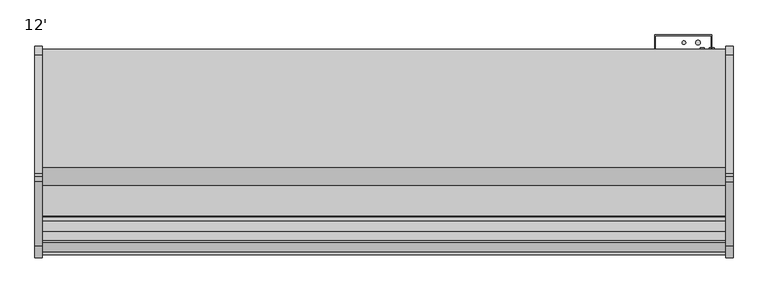
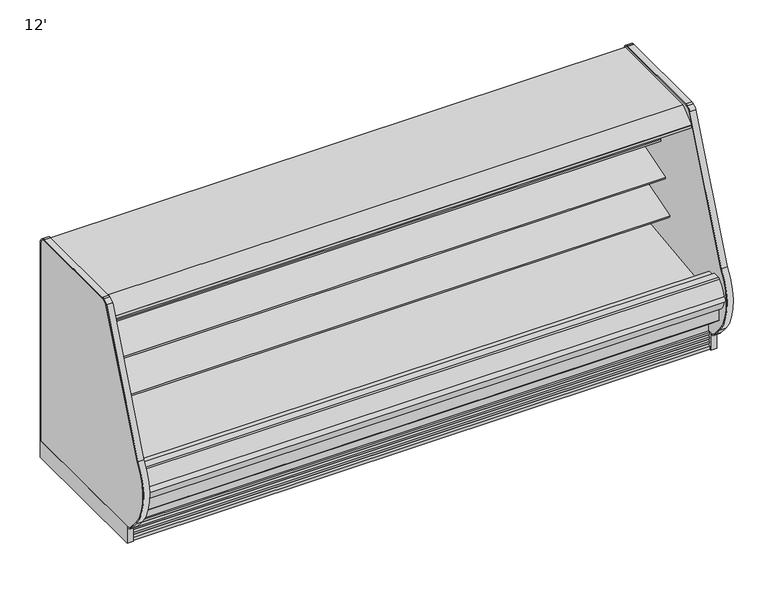
"""IFC4 building model written with IfcOpenShell, lengths in millimetres: proxy geometry, 12'."""

from ifc_helpers import new_model, si_unit, point, frame, frame_2d, origin, origin_with_axes, place, context, project, spatial, polyline, circle_curve, trimmed, segment, composite_curve, outline, extrude, source, transform, mapped, element, save
from ifc_brep_helpers import plane_surface, cylinder_surface, revolved_surface, advanced_brep


def proxy_12_2a5c68bf(model_context):
    return source(origin(), model_context, "Body", "SolidModel", [
        extrude(outline(composite_curve([segment(polyline([(-514.4888601, 1379.0768001), (-504.7813461, 1382.0750951), (-504.5146416, 1381.2115916), (-503.4474703, 1381.2115916), (-503.4474703, 1287.4472598), (-528.7426845, 1283.8944637)]), True, "CONTINUOUS"), segment(trimmed(circle_curve(frame_2d((-528.8825674, 1285.4681389)), 1.57988), [point((-528.7426845, 1283.8944637))], [point((-530.4470722, 1285.2482621))], False, "CARTESIAN"), True, "CONTINUOUS"), segment(polyline([(-530.4470722, 1285.2482621), (-531.3318818, 1291.5440101), (-530.5471142, 1291.654302), (-529.5527196, 1284.5788169), (-505.9719612, 1287.8928764), (-520.0679999, 1388.1914034), (-542.8285813, 1385.1690478)]), True, "CONTINUOUS"), segment(trimmed(circle_curve(frame_2d((-542.7249331, 1384.3884994)), 0.7874), [point((-542.8285813, 1385.1690478))], [point((-543.5054815, 1384.2848511))], True, "CARTESIAN"), True, "CONTINUOUS"), segment(polyline([(-543.5054815, 1384.2848511), (-542.4823725, 1376.580081), (-543.2629211, 1376.4764348), (-544.2860298, 1384.1812028)]), True, "CONTINUOUS"), segment(trimmed(circle_curve(frame_2d((-542.7249331, 1384.3884994)), 1.5748), [point((-544.2860298, 1384.1812028))], [point((-542.9322296, 1385.9495962))], False, "CARTESIAN"), True, "CONTINUOUS"), segment(polyline([(-542.9322296, 1385.9495962), (-518.9678184, 1389.1318072)]), True, "CONTINUOUS"), segment(trimmed(circle_curve(frame_2d((-518.7605219, 1387.5707104)), 1.5748), [point((-518.9678184, 1389.1318072))], [point((-517.2558572, 1388.0354462))], False, "CARTESIAN"), True, "CONTINUOUS"), segment(polyline([(-517.2558572, 1388.0354462), (-514.4888601, 1379.0768001)]), True, "CONTINUOUS")], self_intersect=False)), frame((0.0, 0.0, 0.0), z_axis=(1.0, 0.0, 0.0), x_axis=(0.0, 1.0, 0.0)), (0.0, 0.0, 1.0), 3657.6),
        extrude(outline(polyline([(-401.512379, 1460.3537164), (-401.512379, 1413.9257811), (-452.2793831, 1413.9257811), (-452.2793831, 1381.2115916), (-917.2646416, 1381.2115916), (-919.3438906, 1387.9435306), (-924.1383368, 1386.4627021), (-948.2083769, 1415.1482588), (-1054.9766947, 1415.1482588), (-1055.8148947, 1414.3100588), (-1055.8148947, 1403.1848588), (-1056.3729843, 1402.0060488), (-1101.0108272, 1365.4300488), (-1101.9767376, 1365.0848588), (-1113.4733607, 1365.0848588), (-1113.4733607, 1363.1530833), (-1129.3737607, 1363.1530833), (-1129.3737607, 1381.4220333), (-1128.7805992, 1382.6656223), (-1032.8437928, 1460.3537164), (-401.512379, 1460.3537164)])), frame((0.0, 0.0, 0.0), z_axis=(1.0, 0.0, 0.0), x_axis=(0.0, 1.0, 0.0)), (0.0, 0.0, 1.0), 3657.6),
        extrude(outline(composite_curve([segment(polyline([(-505.9719612, 1287.8928764), (-529.5527196, 1284.5788169), (-530.5471142, 1291.654302), (-542.4775484, 1376.5437523), (-543.5054815, 1384.2848511)]), True, "CONTINUOUS"), segment(trimmed(circle_curve(frame_2d((-542.7249331, 1384.3884994)), 0.7874), [point((-543.5054815, 1384.2848511))], [point((-542.8285813, 1385.1690478))], False, "CARTESIAN"), True, "CONTINUOUS"), segment(polyline([(-542.8285813, 1385.1690478), (-520.0679999, 1388.1914034), (-505.9719612, 1287.8928764)]), True, "CONTINUOUS")], self_intersect=False)), frame((0.0, 0.0, 0.0), z_axis=(1.0, 0.0, 0.0), x_axis=(0.0, 1.0, 0.0)), (0.0, 0.0, 1.0), 3657.6),
        extrude(outline(composite_curve([segment(trimmed(circle_curve(frame_2d((-999.7570947, 1392.4692338)), 14.2875), [point((-1014.0445947, 1392.4692338))], [point((-985.4695947, 1392.4692338))], False, "CARTESIAN"), True, "CONTINUOUS"), segment(trimmed(circle_curve(frame_2d((-999.7570947, 1392.4692338)), 14.2875), [point((-985.4695947, 1392.4692338))], [point((-1014.0445947, 1392.4692338))], False, "CARTESIAN"), True, "CONTINUOUS")], self_intersect=False)), frame((0.0, 0.0, 0.0), z_axis=(1.0, 0.0, 0.0), x_axis=(0.0, 1.0, 0.0)), (0.0, 0.0, 1.0), 3657.6),
        extrude(outline(composite_curve([segment(trimmed(circle_curve(frame_2d((-1037.1458947, 1392.4692338)), 14.2875), [point((-1051.4333947, 1392.4692338))], [point((-1022.8583947, 1392.4692338))], False, "CARTESIAN"), True, "CONTINUOUS"), segment(trimmed(circle_curve(frame_2d((-1037.1458947, 1392.4692338)), 14.2875), [point((-1022.8583947, 1392.4692338))], [point((-1051.4333947, 1392.4692338))], False, "CARTESIAN"), True, "CONTINUOUS")], self_intersect=False)), frame((0.0, 0.0, 0.0), z_axis=(1.0, 0.0, 0.0), x_axis=(0.0, 1.0, 0.0)), (0.0, 0.0, 1.0), 3657.6),
        extrude(outline(composite_curve([segment(trimmed(circle_curve(frame_2d((3412.7400636, -1128.5839273)), 9.525), [point((3403.2150636, -1128.5839273))], [point((3422.2650636, -1128.5839273))], False, "CARTESIAN"), True, "CONTINUOUS"), segment(trimmed(circle_curve(frame_2d((3412.7400636, -1128.5839273)), 9.525), [point((3422.2650636, -1128.5839273))], [point((3403.2150636, -1128.5839273))], False, "CARTESIAN"), True, "CONTINUOUS")], self_intersect=False)), frame((0.0, 0.0, 68.5310382), z_axis=(0.0, 0.0, 1.0), x_axis=(1.0, 0.0, 0.0)), (0.0, 0.0, 1.0), 52.7807458),
        extrude(outline(composite_curve([segment(trimmed(circle_curve(frame_2d((3456.2110784, -1128.5839273)), 12.7), [point((3443.5110784, -1128.5839273))], [point((3468.9110784, -1128.5839273))], False, "CARTESIAN"), True, "CONTINUOUS"), segment(trimmed(circle_curve(frame_2d((3456.2110784, -1128.5839273)), 12.7), [point((3468.9110784, -1128.5839273))], [point((3443.5110784, -1128.5839273))], False, "CARTESIAN"), True, "CONTINUOUS")], self_intersect=False)), frame((0.0, 0.0, 68.5310382), z_axis=(0.0, 0.0, 1.0), x_axis=(1.0, 0.0, 0.0)), (0.0, 0.0, 1.0), 52.7807458),
        extrude(outline(polyline([(0.0, -385.6339273), (0.0, -1335.5812273), (-38.1, -1335.5812273), (-38.1, -385.6339273), (0.0, -385.6339273)])), origin_with_axes(), (0.0, 0.0, 1.0), 114.3),
        extrude(outline(composite_curve([segment(polyline([(-1335.5812273, 114.3), (-1335.5812273, 107.95)]), True, "CONTINUOUS"), segment(trimmed(circle_curve(frame_2d((-1335.5812273, 171.45)), 63.5), [point((-1335.5812273, 107.95))], [point((-1384.2250494, 130.6329868))], False, "CARTESIAN"), True, "CONTINUOUS"), segment(polyline([(-1384.2250494, 130.6329868), (-1436.0410491, 192.3848905)]), True, "CONTINUOUS"), segment(trimmed(circle_curve(frame_2d((-1168.5000273, 416.8784632)), 349.25), [point((-1436.0410491, 192.3848905))], [point((-1454.3903468, 617.483268))], False, "CARTESIAN"), True, "CONTINUOUS"), segment(polyline([(-1454.3903468, 617.483268), (-1110.732737, 1459.5627752)]), True, "CONTINUOUS"), segment(trimmed(circle_curve(frame_2d((-1055.3093188, 1414.5072746)), 71.4265596), [point((-1110.732737, 1459.5627752))], [point((-1080.5868944, 1481.3114481))], False, "CARTESIAN"), True, "CONTINUOUS"), segment(trimmed(circle_curve(frame_2d((-1064.856216, 1439.73804)), 44.45), [point((-1080.5868944, 1481.3114481))], [point((-1064.856216, 1484.18804))], False, "CARTESIAN"), True, "CONTINUOUS"), segment(polyline([(-1064.856216, 1484.18804), (-430.0839273, 1484.18804)]), True, "CONTINUOUS"), segment(trimmed(circle_curve(frame_2d((-430.0839273, 1439.73804)), 44.45), [point((-430.0839273, 1484.18804))], [point((-385.6339273, 1439.73804))], False, "CARTESIAN"), True, "CONTINUOUS"), segment(polyline([(-385.6339273, 1439.73804), (-385.6339273, 114.3), (-391.9839273, 114.3), (-391.9839273, 1439.73804)]), True, "CONTINUOUS"), segment(trimmed(circle_curve(frame_2d((-430.0839273, 1439.73804)), 38.1), [point((-391.9839273, 1439.73804))], [point((-430.0839273, 1477.83804))], True, "CARTESIAN"), True, "CONTINUOUS"), segment(polyline([(-430.0839273, 1477.83804), (-1064.856216, 1477.83804)]), True, "CONTINUOUS"), segment(trimmed(circle_curve(frame_2d((-1064.856216, 1439.73804)), 38.1), [point((-1064.856216, 1477.83804))], [point((-1078.3396546, 1475.3723898))], True, "CARTESIAN"), True, "CONTINUOUS"), segment(trimmed(circle_curve(frame_2d((-1055.3093188, 1414.5072746)), 65.0765596), [point((-1078.3396546, 1475.3723898))], [point((-1103.7237451, 1457.9929266))], True, "CARTESIAN"), True, "CONTINUOUS"), segment(polyline([(-1103.7237451, 1457.9929266), (-1449.192341, 613.8359079)]), True, "CONTINUOUS"), segment(trimmed(circle_curve(frame_2d((-1168.5000273, 416.8784632)), 342.9), [point((-1449.192341, 613.8359079))], [point((-1431.1766668, 196.4665918))], True, "CARTESIAN"), True, "CONTINUOUS"), segment(polyline([(-1431.1766668, 196.4665918), (-1379.3606672, 134.7146881)]), True, "CONTINUOUS"), segment(trimmed(circle_curve(frame_2d((-1335.5812273, 171.45)), 57.15), [point((-1379.3606672, 134.7146881))], [point((-1335.5812273, 114.3))], True, "CARTESIAN"), True, "CONTINUOUS")], self_intersect=False)), frame((-38.1, 0.0, 0.0), z_axis=(1.0, 0.0, 0.0), x_axis=(0.0, 1.0, 0.0)), (0.0, 0.0, 1.0), 38.1),
        extrude(outline(composite_curve([segment(trimmed(circle_curve(frame_2d((-1335.5812273, 171.45)), 57.15), [point((-1335.5812273, 114.3))], [point((-1379.3606672, 134.7146881))], False, "CARTESIAN"), True, "CONTINUOUS"), segment(polyline([(-1379.3606672, 134.7146881), (-1431.1766668, 196.4665918)]), True, "CONTINUOUS"), segment(trimmed(circle_curve(frame_2d((-1168.5000273, 416.8784632)), 342.9), [point((-1431.1766668, 196.4665918))], [point((-1449.192341, 613.8359079))], False, "CARTESIAN"), True, "CONTINUOUS"), segment(polyline([(-1449.192341, 613.8359079), (-1103.7237451, 1457.9929266)]), True, "CONTINUOUS"), segment(trimmed(circle_curve(frame_2d((-1055.3093188, 1414.5072746)), 65.0765596), [point((-1103.7237451, 1457.9929266))], [point((-1078.3396546, 1475.3723898))], False, "CARTESIAN"), True, "CONTINUOUS"), segment(trimmed(circle_curve(frame_2d((-1064.856216, 1439.73804)), 38.1), [point((-1078.3396546, 1475.3723898))], [point((-1064.856216, 1477.83804))], False, "CARTESIAN"), True, "CONTINUOUS"), segment(polyline([(-1064.856216, 1477.83804), (-430.0839273, 1477.83804)]), True, "CONTINUOUS"), segment(trimmed(circle_curve(frame_2d((-430.0839273, 1439.73804)), 38.1), [point((-430.0839273, 1477.83804))], [point((-391.9839273, 1439.73804))], False, "CARTESIAN"), True, "CONTINUOUS"), segment(polyline([(-391.9839273, 1439.73804), (-391.9839273, 114.3), (-1335.5812273, 114.3)]), True, "CONTINUOUS")], self_intersect=False)), frame((-38.1, 0.0, 0.0), z_axis=(1.0, 0.0, 0.0), x_axis=(0.0, 1.0, 0.0)), (0.0, 0.0, 1.0), 38.1),
        advanced_brep(
        [(3657.6, -503.4770145, 962.9449857), (3657.6, -843.5389858, 858.9776075), (3657.6, -839.3802906, 845.3751286), (3657.6, -785.6094334, 861.8145294), (3657.6, -783.1797893, 858.9595892), (3657.6, -595.4632769, 891.5703852), (3657.6, -560.8291108, 887.8925043), (3657.6, -539.533713, 879.2978657), (3657.6, -522.1893768, 878.6915182), (3657.6, -503.4770145, 884.7372079), (0.0, -503.4770145, 962.9449857), (0.0, -503.4770145, 884.7372079), (0.0, -522.1820399, 878.668903), (0.0, -539.533713, 879.2978657), (0.0, -560.8291108, 887.8925043), (0.0, -595.4632769, 891.5703852), (0.0, -783.1797893, 858.9595892), (0.0, -785.6094334, 861.8145294), (0.0, -839.3802906, 845.3751286), (0.0, -843.5389858, 858.9776075)],
        [
            (0, 1),
            (1, 2),
            (2, 3),
            (3, 4),
            (4, 5),
            (5, 6, circle_curve(frame((3657.6, -584.5946142, 829.0074396), z_axis=(-1.0, 0.0, 0.0), x_axis=(0.0, 1.0, 0.0)), 63.5)),
            (6, 7),
            (7, 8, circle_curve(frame((3657.6, -530.0275116, 902.8518916), z_axis=(1.0, 0.0, 0.0), x_axis=(0.0, 1.0, 0.0)), 25.4)),
            (8, 9),
            (9, 0),
            (10, 11),
            (11, 12),
            (12, 13, circle_curve(frame((0.0, -530.0275116, 902.8518916), z_axis=(-1.0, 0.0, 0.0), x_axis=(0.0, 1.0, 0.0)), 25.4)),
            (13, 14),
            (14, 15, circle_curve(frame((0.0, -584.5946142, 829.0074396), z_axis=(1.0, 0.0, 0.0), x_axis=(0.0, 1.0, 0.0)), 63.5)),
            (15, 16),
            (16, 17),
            (17, 18),
            (18, 19),
            (19, 10),
            (0, 10),
            (19, 1),
            (2, 18),
            (17, 3),
            (8, 12),
            (11, 9),
            (16, 4),
            (15, 5),
            (14, 6),
            (13, 7),
        ],
        [
            plane_surface(frame((3657.6, -503.4770145, 962.9449857), z_axis=(1.0, 0.0, 0.0), x_axis=(0.0, -0.9563047559631226, -0.2923717047224518))),
            plane_surface(frame((0.0, -503.4770145, 962.9449857), z_axis=(-1.0, 0.0, 0.0), x_axis=(0.0, 0.9563047559631226, 0.2923717047224518))),
            plane_surface(frame((3657.6, -503.4770145, 962.9449857), z_axis=(0.0, -0.2923717047224518, 0.9563047559631226), x_axis=(-1.0, 0.0, 0.0))),
            plane_surface(frame((3657.6, -839.3802906, 845.3751286), z_axis=(0.0, 0.2923717047224529, -0.9563047559631223), x_axis=(-1.0, 0.0, 0.0))),
            plane_surface(frame((3657.6, -522.1820399, 878.668903), z_axis=(0.0, 0.3085879853198186, -0.9511958028272914), x_axis=(-1.0, 0.0, 0.0))),
            plane_surface(frame((3657.6, -503.4770145, 884.7372079), z_axis=(0.0, 1.0, 0.0), x_axis=(-1.0, 0.0, 0.0))),
            plane_surface(frame((3657.6, -843.5389858, 858.9776075), z_axis=(0.0, -0.9563047559631227, -0.29237170472245155), x_axis=(-1.0, 0.0, 0.0))),
            plane_surface(frame((3657.6, -785.6094334, 861.8145294), z_axis=(0.0, -0.761551533788134, -0.648104359949029), x_axis=(-1.0, 0.0, 0.0))),
            plane_surface(frame((3657.6, -783.1797893, 858.9595892), z_axis=(0.0, 0.17116004276831903, -0.9852432388804032), x_axis=(-1.0, 0.0, 0.0))),
            revolved_surface(polyline([(0.0, -521.0946142, 829.0074396), (3657.6, -521.0946142, 829.0074396)]), (0.0, -584.5946142, 829.0074396), (-1.0, 0.0, 0.0)),
            plane_surface(frame((3657.6, -560.8291108, 887.8925043), z_axis=(0.0, -0.374259895190447, -0.9273238543529632), x_axis=(-1.0, 0.0, 0.0))),
            cylinder_surface(frame((0.0, -530.0275116, 902.8518916), z_axis=(1.0, 0.0, 0.0), x_axis=(0.0, 1.0, 0.0)), 25.4),
        ],
        [
            (0, [[1, 2, 3, 4, 5, 6, 7, 8, 9, 10]]),
            (1, [[11, 12, 13, 14, 15, 16, 17, 18, 19, 20]]),
            (2, [[-1, 21, -20, 22]]),
            (3, [[-3, 23, -18, 24]]),
            (4, [[-9, 25, -12, 26]]),
            (5, [[-10, -26, -11, -21]]),
            (6, [[-2, -22, -19, -23]]),
            (7, [[-4, -24, -17, 27]]),
            (8, [[-5, -27, -16, 28]]),
            (9, [[-6, -28, -15, 29]]),
            (10, [[-7, -29, -14, 30]]),
            (11, [[-8, -30, -13, -25]]),
        ],
    ),
        extrude(outline(polyline([(3695.7, -385.6339273), (3695.7, -1335.5812273), (3657.6, -1335.5812273), (3657.6, -385.6339273), (3695.7, -385.6339273)])), origin_with_axes(), (0.0, 0.0, 1.0), 114.3),
        extrude(outline(composite_curve([segment(polyline([(-1335.5812273, 114.3), (-1335.5812273, 107.95)]), True, "CONTINUOUS"), segment(trimmed(circle_curve(frame_2d((-1335.5812273, 171.45)), 63.5), [point((-1335.5812273, 107.95))], [point((-1384.2250494, 130.6329868))], False, "CARTESIAN"), True, "CONTINUOUS"), segment(polyline([(-1384.2250494, 130.6329868), (-1436.0410491, 192.3848905)]), True, "CONTINUOUS"), segment(trimmed(circle_curve(frame_2d((-1168.5000273, 416.8784632)), 349.25), [point((-1436.0410491, 192.3848905))], [point((-1454.3903468, 617.483268))], False, "CARTESIAN"), True, "CONTINUOUS"), segment(polyline([(-1454.3903468, 617.483268), (-1110.1198402, 1460.306403)]), True, "CONTINUOUS"), segment(trimmed(circle_curve(frame_2d((-1055.3093188, 1414.5072746)), 71.4265596), [point((-1110.1198402, 1460.306403))], [point((-1080.5868944, 1481.3114481))], False, "CARTESIAN"), True, "CONTINUOUS"), segment(trimmed(circle_curve(frame_2d((-1064.856216, 1439.73804)), 44.45), [point((-1080.5868944, 1481.3114481))], [point((-1064.856216, 1484.18804))], False, "CARTESIAN"), True, "CONTINUOUS"), segment(polyline([(-1064.856216, 1484.18804), (-430.0839273, 1484.18804)]), True, "CONTINUOUS"), segment(trimmed(circle_curve(frame_2d((-430.0839273, 1439.73804)), 44.45), [point((-430.0839273, 1484.18804))], [point((-385.6339273, 1439.73804))], False, "CARTESIAN"), True, "CONTINUOUS"), segment(polyline([(-385.6339273, 1439.73804), (-385.6339273, 114.3), (-391.9839273, 114.3), (-391.9839273, 1439.73804)]), True, "CONTINUOUS"), segment(trimmed(circle_curve(frame_2d((-430.0839273, 1439.73804)), 38.1), [point((-391.9839273, 1439.73804))], [point((-430.0839273, 1477.83804))], True, "CARTESIAN"), True, "CONTINUOUS"), segment(polyline([(-430.0839273, 1477.83804), (-1064.856216, 1477.83804)]), True, "CONTINUOUS"), segment(trimmed(circle_curve(frame_2d((-1064.856216, 1439.73804)), 38.1), [point((-1064.856216, 1477.83804))], [point((-1078.3396546, 1475.3723898))], True, "CARTESIAN"), True, "CONTINUOUS"), segment(trimmed(circle_curve(frame_2d((-1055.3093188, 1414.5072746)), 65.0765596), [point((-1078.3396546, 1475.3723898))], [point((-1103.7237451, 1457.9929266))], True, "CARTESIAN"), True, "CONTINUOUS"), segment(polyline([(-1103.7237451, 1457.9929266), (-1449.192341, 613.8359079)]), True, "CONTINUOUS"), segment(trimmed(circle_curve(frame_2d((-1168.5000273, 416.8784632)), 342.9), [point((-1449.192341, 613.8359079))], [point((-1431.1766668, 196.4665918))], True, "CARTESIAN"), True, "CONTINUOUS"), segment(polyline([(-1431.1766668, 196.4665918), (-1379.3606672, 134.7146881)]), True, "CONTINUOUS"), segment(trimmed(circle_curve(frame_2d((-1335.5812273, 171.45)), 57.15), [point((-1379.3606672, 134.7146881))], [point((-1335.5812273, 114.3))], True, "CARTESIAN"), True, "CONTINUOUS")], self_intersect=False)), frame((3657.6, 0.0, 0.0), z_axis=(1.0, 0.0, 0.0), x_axis=(0.0, 1.0, 0.0)), (0.0, 0.0, 1.0), 38.1),
        extrude(outline(composite_curve([segment(trimmed(circle_curve(frame_2d((-1335.5812273, 171.45)), 57.15), [point((-1335.5812273, 114.3))], [point((-1379.3606672, 134.7146881))], False, "CARTESIAN"), True, "CONTINUOUS"), segment(polyline([(-1379.3606672, 134.7146881), (-1431.1766668, 196.4665918)]), True, "CONTINUOUS"), segment(trimmed(circle_curve(frame_2d((-1168.5000273, 416.8784632)), 342.9), [point((-1431.1766668, 196.4665918))], [point((-1449.192341, 613.8359079))], False, "CARTESIAN"), True, "CONTINUOUS"), segment(polyline([(-1449.192341, 613.8359079), (-1103.7237451, 1457.9929266)]), True, "CONTINUOUS"), segment(trimmed(circle_curve(frame_2d((-1055.3093188, 1414.5072746)), 65.0765596), [point((-1103.7237451, 1457.9929266))], [point((-1078.3396546, 1475.3723898))], False, "CARTESIAN"), True, "CONTINUOUS"), segment(trimmed(circle_curve(frame_2d((-1064.856216, 1439.73804)), 38.1), [point((-1078.3396546, 1475.3723898))], [point((-1064.856216, 1477.83804))], False, "CARTESIAN"), True, "CONTINUOUS"), segment(polyline([(-1064.856216, 1477.83804), (-430.0839273, 1477.83804)]), True, "CONTINUOUS"), segment(trimmed(circle_curve(frame_2d((-430.0839273, 1439.73804)), 38.1), [point((-430.0839273, 1477.83804))], [point((-391.9839273, 1439.73804))], False, "CARTESIAN"), True, "CONTINUOUS"), segment(polyline([(-391.9839273, 1439.73804), (-391.9839273, 114.3), (-1335.5812273, 114.3)]), True, "CONTINUOUS")], self_intersect=False)), frame((3657.6, 0.0, 0.0), z_axis=(1.0, 0.0, 0.0), x_axis=(0.0, 1.0, 0.0)), (0.0, 0.0, 1.0), 38.1),
        extrude(outline(composite_curve([segment(polyline([(-503.4770145, 1171.6412699), (-503.4770145, 1093.4334921), (-520.8520366, 1087.7966684)]), True, "CONTINUOUS"), segment(trimmed(circle_curve(frame_2d((-528.6901714, 1111.9570418)), 25.4), [point((-520.8520366, 1087.7966684))], [point((-538.1963728, 1088.4030158))], False, "CARTESIAN"), True, "CONTINUOUS"), segment(polyline([(-538.1963728, 1088.4030158), (-559.4917707, 1096.9976544)]), True, "CONTINUOUS"), segment(trimmed(circle_curve(frame_2d((-583.257274, 1038.1125897)), 63.5), [point((-559.4917707, 1096.9976544))], [point((-594.1259367, 1100.6755354))], True, "CARTESIAN"), True, "CONTINUOUS"), segment(polyline([(-594.1259367, 1100.6755354), (-731.8940366, 1083.3355015), (-734.3236807, 1086.1904418), (-790.800009, 1068.9238954), (-794.9587042, 1082.5263743), (-503.4770145, 1171.6412699)]), True, "CONTINUOUS")], self_intersect=False)), frame((0.0, 0.0, 0.0), z_axis=(1.0, 0.0, 0.0), x_axis=(0.0, 1.0, 0.0)), (0.0, 0.0, 1.0), 3657.6),
        extrude(outline(composite_curve([segment(polyline([(-503.4770145, 671.8796647), (-522.1893768, 665.8089796)]), True, "CONTINUOUS"), segment(trimmed(circle_curve(frame_2d((-530.0275116, 689.969353)), 25.4), [point((-522.1893768, 665.8089796))], [point((-539.533713, 666.4153271))], False, "CARTESIAN"), True, "CONTINUOUS"), segment(polyline([(-539.533713, 666.4153271), (-560.8291108, 675.0099657)]), True, "CONTINUOUS"), segment(trimmed(circle_curve(frame_2d((-584.5946142, 616.1249009)), 63.5), [point((-560.8291108, 675.0099657))], [point((-595.4632769, 678.6878466))], True, "CARTESIAN"), True, "CONTINUOUS"), segment(polyline([(-595.4632769, 678.6878466), (-783.1797893, 646.0770506), (-785.6094334, 648.9319908), (-887.9605722, 617.6401074), (-892.1192674, 631.2425862), (-503.4770145, 750.062447), (-503.4770145, 671.8796647)]), True, "CONTINUOUS")], self_intersect=False)), frame((0.0, 0.0, 0.0), z_axis=(1.0, 0.0, 0.0), x_axis=(0.0, 1.0, 0.0)), (0.0, 0.0, 1.0), 3657.6),
        extrude(outline(composite_curve([segment(trimmed(circle_curve(frame_2d((-1361.5699211, 436.6703424)), 127.0351724), [point((-1488.6036317, 437.2797696))], [point((-1486.6937497, 414.7166966))], True, "CARTESIAN"), True, "CONTINUOUS"), segment(trimmed(circle_curve(frame_2d((-1482.3543869, 431.8734576)), 17.69702), [point((-1486.6937497, 414.7166966))], [point((-1485.9120457, 449.209189))], False, "CARTESIAN"), True, "CONTINUOUS"), segment(trimmed(circle_curve(frame_2d((-1313.9651645, 404.1451627)), 177.7540334), [point((-1485.9120457, 449.209189))], [point((-1488.6036317, 437.2797696))], True, "CARTESIAN"), True, "CONTINUOUS")], self_intersect=False)), frame((0.0, 0.0, 0.0), z_axis=(1.0, 0.0, 0.0), x_axis=(0.0, 1.0, 0.0)), (0.0, 0.0, 1.0), 3657.6),
        extrude(outline(composite_curve([segment(polyline([(-1430.5207837, 390.4771975), (-1430.5207837, 349.191578), (-1455.8537478, 349.191578)]), True, "CONTINUOUS"), segment(trimmed(circle_curve(frame_2d((-1360.3674523, 434.1532094)), 127.8127984), [point((-1455.8537478, 349.191578))], [point((-1488.0175216, 440.6007866))], False, "CARTESIAN"), True, "CONTINUOUS"), segment(trimmed(circle_curve(frame_2d((-1312.8856615, 403.1660664)), 179.0880417), [point((-1488.0175216, 440.6007866))], [point((-1434.0757284, 535.020131))], False, "CARTESIAN"), True, "CONTINUOUS"), segment(trimmed(circle_curve(frame_2d((-1421.997786, 522.055071)), 17.7191838), [point((-1434.0757284, 535.020131))], [point((-1422.9245877, 539.75))], False, "CARTESIAN"), True, "CONTINUOUS"), segment(polyline([(-1422.9245877, 539.75), (-1377.3315877, 539.75), (-1377.3315877, 520.4426474), (-1379.5124455, 520.4426474), (-1379.5124455, 390.4771975), (-1430.5207837, 390.4771975)]), True, "CONTINUOUS")], self_intersect=False)), frame((0.0, 0.0, 0.0), z_axis=(1.0, 0.0, 0.0), x_axis=(0.0, 1.0, 0.0)), (0.0, 0.0, 1.0), 3657.6),
        extrude(outline(composite_curve([segment(polyline([(-1305.8908654, 151.2490419), (-1305.8908654, 0.0), (-1329.0357106, 0.0), (-1329.0357106, 19.9045671)]), True, "CONTINUOUS"), segment(trimmed(circle_curve(frame_2d((-1328.499887, 33.5999438)), 13.7058546), [point((-1329.0357106, 19.9045671))], [point((-1315.4179076, 29.51188))], True, "CARTESIAN"), True, "CONTINUOUS"), segment(polyline([(-1315.4179076, 29.51188), (-1311.9288106, 40.67714), (-1322.5660058, 38.5193172), (-1324.5599058, 38.5193172), (-1324.5599058, 51.2193172)]), True, "CONTINUOUS"), segment(trimmed(circle_curve(frame_2d((-1328.9777736, 64.7214645)), 14.2065314), [point((-1324.5599058, 51.2193172))], [point((-1315.4179076, 60.4840631))], True, "CARTESIAN"), True, "CONTINUOUS"), segment(polyline([(-1315.4179076, 60.4840631), (-1311.9288106, 71.6493231), (-1322.5660058, 69.4915004), (-1324.5599058, 69.4915004), (-1324.5599058, 82.1915004)]), True, "CONTINUOUS"), segment(trimmed(circle_curve(frame_2d((-1329.0501489, 95.765064)), 14.2969897), [point((-1324.5599058, 82.1915004))], [point((-1315.4179076, 91.4562462))], True, "CARTESIAN"), True, "CONTINUOUS"), segment(polyline([(-1315.4179076, 91.4562462), (-1311.9288106, 102.4950543), (-1322.5660058, 100.4638704), (-1324.5599058, 100.4638704), (-1324.5599058, 113.1638704)]), True, "CONTINUOUS"), segment(trimmed(circle_curve(frame_2d((-1323.9621412, 124.1285303)), 10.9809422), [point((-1324.5599058, 113.1638704))], [point((-1316.1764071, 116.3849243))], True, "CARTESIAN"), True, "CONTINUOUS"), segment(polyline([(-1316.1764071, 116.3849243), (-1316.1764071, 159.8796362), (-1305.8908654, 151.2490419)]), True, "CONTINUOUS")], self_intersect=False)), frame((0.0, 0.0, 0.0), z_axis=(1.0, 0.0, 0.0), x_axis=(0.0, 1.0, 0.0)), (0.0, 0.0, 1.0), 3657.6),
        extrude(outline(composite_curve([segment(trimmed(circle_curve(frame_2d((3432.175, -366.5839273)), 9.525), [point((3422.65, -366.5839273))], [point((3441.7, -366.5839273))], False, "CARTESIAN"), True, "CONTINUOUS"), segment(trimmed(circle_curve(frame_2d((3432.175, -366.5839273)), 9.525), [point((3441.7, -366.5839273))], [point((3422.65, -366.5839273))], False, "CARTESIAN"), True, "CONTINUOUS")], self_intersect=False)), frame((0.0, 0.0, 938.4284214), z_axis=(0.0, 0.0, 1.0), x_axis=(1.0, 0.0, 0.0)), (0.0, 0.0, 1.0), 359.2448082),
        extrude(outline(composite_curve([segment(trimmed(circle_curve(frame_2d((3508.375, -366.5839273)), 12.7), [point((3495.675, -366.5839273))], [point((3521.075, -366.5839273))], False, "CARTESIAN"), True, "CONTINUOUS"), segment(trimmed(circle_curve(frame_2d((3508.375, -366.5839273)), 12.7), [point((3521.075, -366.5839273))], [point((3495.675, -366.5839273))], False, "CARTESIAN"), True, "CONTINUOUS")], self_intersect=False)), frame((0.0, 0.0, 938.4284214), z_axis=(0.0, 0.0, 1.0), x_axis=(1.0, 0.0, 0.0)), (0.0, 0.0, 1.0), 359.2448082),
        extrude(outline(polyline([(3578.225, -401.5089273), (3578.225, -328.4839273), (3279.775, -328.4839273), (3279.775, -401.5089273), (3276.6, -401.5089273), (3276.6, -325.3089273), (3581.4, -325.3089273), (3581.4, -401.5089273), (3578.225, -401.5089273)])), frame((0.0, 0.0, 509.3917508), z_axis=(0.0, 0.0, 1.0), x_axis=(1.0, 0.0, 0.0)), (0.0, 0.0, 1.0), 744.968275),
        extrude(outline(composite_curve([segment(trimmed(circle_curve(frame_2d((368.3, 3581.4)), 12.7), [point((368.3, 3594.1))], [point((368.3, 3568.7))], False, "CARTESIAN"), True, "CONTINUOUS"), segment(trimmed(circle_curve(frame_2d((368.3, 3581.4)), 12.7), [point((368.3, 3568.7))], [point((368.3, 3594.1))], False, "CARTESIAN"), True, "CONTINUOUS")], self_intersect=False)), frame((0.0, -446.7209273, 0.0), z_axis=(0.0, 1.0, 0.0), x_axis=(0.0, 0.0, 1.0)), (0.0, 0.0, 1.0), 52.8518438),
        extrude(outline(composite_curve([segment(trimmed(circle_curve(frame_2d((368.3, 3530.6)), 9.525), [point((368.3, 3540.125))], [point((368.3, 3521.075))], False, "CARTESIAN"), True, "CONTINUOUS"), segment(trimmed(circle_curve(frame_2d((368.3, 3530.6)), 9.525), [point((368.3, 3521.075))], [point((368.3, 3540.125))], False, "CARTESIAN"), True, "CONTINUOUS")], self_intersect=False)), frame((0.0, -446.7209273, 0.0), z_axis=(0.0, 1.0, 0.0), x_axis=(0.0, 0.0, 1.0)), (0.0, 0.0, 1.0), 52.8518438),
        extrude(outline(composite_curve([segment(trimmed(circle_curve(frame_2d((1828.8, -1125.4089273)), 38.1), [point((1790.7, -1125.4089273))], [point((1866.9, -1125.4089273))], False, "CARTESIAN"), True, "CONTINUOUS"), segment(trimmed(circle_curve(frame_2d((1828.8, -1125.4089273)), 38.1), [point((1866.9, -1125.4089273))], [point((1790.7, -1125.4089273))], False, "CARTESIAN"), True, "CONTINUOUS")], self_intersect=False)), frame((0.0, 0.0, 68.5310382), z_axis=(0.0, 0.0, 1.0), x_axis=(1.0, 0.0, 0.0)), (0.0, 0.0, 1.0), 52.7807458),
        extrude(outline(polyline([(-1207.4658654, 16.9113003), (-1305.8908654, 16.9113003), (-1305.8908654, 151.2490419), (-1280.7758002, 130.175), (-1207.4658654, 130.175), (-1207.4658654, 16.9113003)])), frame((0.0, 0.0, 0.0), z_axis=(1.0, 0.0, 0.0), x_axis=(0.0, 1.0, 0.0)), (0.0, 0.0, 1.0), 3657.6),
        advanced_brep(
        [(0.0, -401.5089273, 130.175), (0.0, -401.5089273, 0.0), (0.0, -446.7209273, 0.0), (0.0, -446.7209273, 74.8810382), (0.0, -1160.5475206, 74.8810382), (0.0, -1160.5475206, 0.0), (0.0, -1207.4658654, 0.0), (0.0, -1207.4658654, 130.175), (3657.6, -401.5089273, 130.175), (3657.6, -1207.4658654, 130.175), (3657.6, -1207.4658654, 0.0), (3657.6, -1160.5475206, 0.0), (3657.6, -1160.5475206, 74.8810382), (3657.6, -446.7209273, 74.8810382), (3657.6, -446.7209273, 0.0), (3657.6, -401.5089273, 0.0), (1792.1132277, -1160.5475206, 0.0), (1865.4867723, -1160.5475206, 0.0), (3394.3803392, -1160.5475206, 0.0), (3476.3196608, -1160.5475206, 0.0), (1792.1132277, -1160.5475206, 74.8810382), (3476.3196608, -1160.5475206, 74.8810382), (1865.4867723, -1160.5475206, 74.8810382), (3394.3803392, -1160.5475206, 74.8810382), (3486.15, -1130.5120933, 74.8810382), (3384.55, -1130.5120933, 74.8810382), (1879.6, -1125.4089273, 74.8810382), (1778.0, -1125.4089273, 74.8810382), (1778.0, -1125.4089273, 121.311784), (1879.6, -1125.4089273, 121.311784), (3384.55, -1130.5120933, 121.311784), (3486.15, -1130.5120933, 121.311784)],
        [
            (0, 1),
            (1, 2),
            (2, 3),
            (3, 4),
            (4, 5),
            (5, 6),
            (6, 7),
            (7, 0),
            (8, 9),
            (9, 10),
            (10, 11),
            (11, 12),
            (12, 13),
            (13, 14),
            (14, 15),
            (15, 8),
            (7, 9),
            (8, 0),
            (6, 10),
            (5, 16),
            (16, 17, circle_curve(frame((1828.8, -1125.4089273, 0.0), z_axis=(0.0, 0.0, 1.0), x_axis=(1.0, 0.0, 0.0)), 50.8)),
            (17, 18),
            (18, 19, circle_curve(frame((3435.35, -1130.5120933, 0.0), z_axis=(0.0, 0.0, 1.0), x_axis=(1.0, 0.0, 0.0)), 50.8)),
            (19, 11),
            (4, 20),
            (20, 16),
            (19, 21),
            (21, 12),
            (17, 22),
            (22, 23),
            (23, 18),
            (3, 13),
            (21, 24, circle_curve(frame((3435.35, -1130.5120933, 74.8810382), z_axis=(0.0, 0.0, 1.0), x_axis=(1.0, 0.0, 0.0)), 50.8)),
            (24, 25, circle_curve(frame((3435.35, -1130.5120933, 74.8810382), z_axis=(0.0, 0.0, 1.0), x_axis=(1.0, 0.0, 0.0)), 50.8)),
            (25, 23, circle_curve(frame((3435.35, -1130.5120933, 74.8810382), z_axis=(0.0, 0.0, 1.0), x_axis=(1.0, 0.0, 0.0)), 50.8)),
            (22, 26, circle_curve(frame((1828.8, -1125.4089273, 74.8810382), z_axis=(0.0, 0.0, 1.0), x_axis=(1.0, 0.0, 0.0)), 50.8)),
            (26, 27, circle_curve(frame((1828.8, -1125.4089273, 74.8810382), z_axis=(0.0, 0.0, 1.0), x_axis=(1.0, 0.0, 0.0)), 50.8)),
            (27, 20, circle_curve(frame((1828.8, -1125.4089273, 74.8810382), z_axis=(0.0, 0.0, 1.0), x_axis=(1.0, 0.0, 0.0)), 50.8)),
            (2, 14),
            (1, 15),
            (28, 29, circle_curve(frame((1828.8, -1125.4089273, 121.311784), z_axis=(0.0, 0.0, -1.0), x_axis=(1.0, 0.0, 0.0)), 50.8)),
            (29, 28, circle_curve(frame((1828.8, -1125.4089273, 121.311784), z_axis=(0.0, 0.0, -1.0), x_axis=(1.0, 0.0, 0.0)), 50.8)),
            (29, 26),
            (27, 28),
            (30, 31, circle_curve(frame((3435.35, -1130.5120933, 121.311784), z_axis=(0.0, 0.0, -1.0), x_axis=(1.0, 0.0, 0.0)), 50.8)),
            (31, 30, circle_curve(frame((3435.35, -1130.5120933, 121.311784), z_axis=(0.0, 0.0, -1.0), x_axis=(1.0, 0.0, 0.0)), 50.8)),
            (31, 24),
            (25, 30),
        ],
        [
            plane_surface(frame((0.0, -1205.8783654, 130.175), z_axis=(-1.0, 0.0, 0.0), x_axis=(0.0, 1.0, 0.0))),
            plane_surface(frame((3657.6, -1205.8783654, 130.175), z_axis=(1.0, 0.0, 0.0), x_axis=(0.0, -1.0, 0.0))),
            plane_surface(frame((3657.6, -401.5089273, 130.175), z_axis=(0.0, 0.0, 1.0), x_axis=(-1.0, 0.0, 0.0))),
            plane_surface(frame((3657.6, -1207.4658654, 130.175), z_axis=(0.0, -1.0, 0.0), x_axis=(-1.0, 0.0, 0.0))),
            plane_surface(frame((3657.6, -1207.4658654, 0.0), z_axis=(0.0, 0.0, -1.0), x_axis=(-1.0, 0.0, 0.0))),
            plane_surface(frame((3657.6, -1160.5475206, 0.0), z_axis=(0.0, 1.0, 0.0), x_axis=(-1.0, 0.0, 0.0))),
            plane_surface(frame((3657.6, -1160.5475206, 74.8810382), z_axis=(0.0, 0.0, -1.0), x_axis=(-1.0, 0.0, 0.0))),
            plane_surface(frame((3657.6, -446.7209273, 74.8810382), z_axis=(0.0, -1.0, 0.0), x_axis=(-1.0, 0.0, 0.0))),
            plane_surface(frame((3657.6, -446.7209273, 0.0), z_axis=(0.0, 0.0, -1.0), x_axis=(-1.0, 0.0, 0.0))),
            plane_surface(frame((3657.6, -401.5089273, 0.0), z_axis=(0.0, 1.0, 0.0), x_axis=(-1.0, 0.0, 0.0))),
            plane_surface(frame((1879.6, -1125.4089273, 121.311784), z_axis=(0.0, 0.0, -1.0), x_axis=(0.0, 1.0, 0.0))),
            revolved_surface(polyline([(1879.6, -1125.4089273, 121.311784), (1879.6, -1125.4089273, 0.0)]), (1828.8, -1125.4089273, 0.0), (0.0, 0.0, 1.0)),
            revolved_surface(polyline([(1879.6, -1125.4089273, 121.311784), (1879.6, -1125.4089273, 74.8810382)]), (1828.8, -1125.4089273, 0.0), (0.0, 0.0, 1.0)),
            plane_surface(frame((3486.15, -1130.5120933, 121.311784), z_axis=(0.0, 0.0, -1.0), x_axis=(0.0, 1.0, 0.0))),
            revolved_surface(polyline([(3486.15, -1130.5120933, 121.311784), (3486.15, -1130.5120933, 0.0)]), (3435.35, -1130.5120933, 0.0), (0.0, 0.0, 1.0)),
            revolved_surface(polyline([(3486.15, -1130.5120933, 121.311784), (3486.15, -1130.5120933, 74.8810382)]), (3435.35, -1130.5120933, 0.0), (0.0, 0.0, 1.0)),
        ],
        [
            (0, [[1, 2, 3, 4, 5, 6, 7, 8]]),
            (1, [[9, 10, 11, 12, 13, 14, 15, 16]]),
            (2, [[-8, 17, -9, 18]]),
            (3, [[-7, 19, -10, -17]]),
            (4, [[-6, 20, 21, 22, 23, 24, -11, -19]]),
            (5, [[-5, 25, 26, -20]]),
            (5, [[-12, -24, 27, 28]]),
            (5, [[29, 30, 31, -22]]),
            (6, [[-4, 32, -13, -28, 33, 34, 35, -30, 36, 37, 38, -25]]),
            (7, [[-3, 39, -14, -32]]),
            (8, [[-2, 40, -15, -39]]),
            (9, [[-1, -18, -16, -40]]),
            (10, [[41, 42]]),
            (11, [[-42, 43, -36, -29, -21, -26, -38, 44]]),
            (12, [[-41, -44, -37, -43]]),
            (13, [[45, 46]]),
            (14, [[-46, 47, -33, -27, -23, -31, -35, 48]]),
            (15, [[-45, -48, -34, -47]]),
        ],
    ),
        extrude(outline(polyline([(688.975, -695.7578022), (688.975, -1117.5324221), (180.975, -1117.5324221), (180.975, -695.7578022), (688.975, -695.7578022)])), frame((0.0, 0.0, 68.5310382), z_axis=(0.0, 0.0, 1.0), x_axis=(1.0, 0.0, 0.0)), (0.0, 0.0, 1.0), 6.35),
        extrude(outline(polyline([(3657.6, -452.3089273), (3657.6, -503.4770145), (0.0, -503.4770145), (0.0, -452.3089273), (3657.6, -452.3089273)])), frame((0.0, 0.0, 443.9410329), z_axis=(0.0, 0.0, 1.0), x_axis=(1.0, 0.0, 0.0)), (0.0, 0.0, 1.0), 937.4168424),
        advanced_brep(
        [(0.0, -503.4770145, 415.8429537), (0.0, -452.3089273, 415.8429537), (0.0, -452.3089273, 350.7638053), (0.0, -599.382701, 211.674682), (0.0, -1043.4743285, 195.6902403), (0.0, -1096.5862318, 157.108203), (0.0, -1163.4022387, 157.108203), (0.0, -1221.4788318, 189.3021178), (0.0, -1379.5124455, 334.3739209), (0.0, -1379.5124455, 520.4426474), (0.0, -1322.6270145, 520.4426474), (0.0, -1322.6270145, 372.3098474), (0.0, -1298.2271496, 372.3098474), (0.0, -1292.7855784, 374.2514867), (0.0, -599.3661067, 457.3237105), (0.0, -599.0019346, 452.1158065), (0.0, -516.37749, 457.8934705), (0.0, -503.4770145, 470.7939459), (3657.6, -503.4770145, 415.8429537), (3657.6, -503.4770145, 470.7939459), (3657.6, -516.37749, 457.8934705), (3657.6, -599.0019346, 452.1158065), (3657.6, -599.3661067, 457.3237105), (3657.6, -1292.7855784, 374.2514867), (3657.6, -1298.2271496, 372.3098474), (3657.6, -1322.6270145, 372.3098474), (3657.6, -1322.6270145, 520.4426474), (3657.6, -1379.5124455, 520.4426474), (3657.6, -1379.5124455, 334.3739209), (3657.6, -1221.4788318, 189.3021178), (3657.6, -1163.4022387, 157.108203), (3657.6, -1096.5862318, 157.108203), (3657.6, -1043.4743285, 195.6902403), (3657.6, -599.382701, 211.674682), (3657.6, -452.3089273, 350.7638053), (3657.6, -452.3089273, 415.8429537)],
        [
            (0, 1),
            (1, 2),
            (2, 3, circle_curve(frame((0.0, -604.8944357, 364.8057873), z_axis=(-1.0, 0.0, 0.0), x_axis=(0.0, 1.0, 0.0)), 153.2302667)),
            (3, 4),
            (4, 5),
            (5, 6),
            (6, 7),
            (7, 8, circle_curve(frame((0.0, -1227.2834533, 341.5915343), z_axis=(-1.0, 0.0, 0.0), x_axis=(0.0, 1.0, 0.0)), 152.4)),
            (8, 9),
            (9, 10),
            (10, 11),
            (11, 12),
            (12, 13),
            (13, 14),
            (14, 15),
            (15, 16),
            (16, 17, circle_curve(frame((0.0, -516.37749, 470.7939459), z_axis=(1.0, 0.0, 0.0), x_axis=(0.0, 1.0, 0.0)), 12.9004754)),
            (17, 0),
            (18, 19),
            (19, 20, circle_curve(frame((3657.6, -516.37749, 470.7939459), z_axis=(-1.0, 0.0, 0.0), x_axis=(0.0, 1.0, 0.0)), 12.9004754)),
            (20, 21),
            (21, 22),
            (22, 23),
            (23, 24),
            (24, 25),
            (25, 26),
            (26, 27),
            (27, 28),
            (28, 29, circle_curve(frame((3657.6, -1227.2834533, 341.5915343), z_axis=(1.0, 0.0, 0.0), x_axis=(0.0, 1.0, 0.0)), 152.4)),
            (29, 30),
            (30, 31),
            (31, 32),
            (32, 33),
            (33, 34, circle_curve(frame((3657.6, -604.8944357, 364.8057873), z_axis=(1.0, 0.0, 0.0), x_axis=(0.0, 1.0, 0.0)), 153.2302667)),
            (34, 35),
            (35, 18),
            (34, 2),
            (1, 35),
            (0, 18),
            (17, 19),
            (16, 20),
            (15, 21),
            (14, 22),
            (29, 7),
            (6, 30),
            (5, 31),
            (4, 32),
            (3, 33),
            (13, 23),
            (12, 24),
            (11, 25),
            (10, 26),
            (9, 27),
            (8, 28),
        ],
        [
            plane_surface(frame((0.0, -503.4770145, 1092.9956953), z_axis=(-1.0, 0.0, 0.0), x_axis=(0.0, 0.0, -1.0))),
            plane_surface(frame((3657.6, -503.4770145, 1092.9956953), z_axis=(1.0, 0.0, 0.0), x_axis=(0.0, 0.0, 1.0))),
            plane_surface(frame((3657.6, -452.3089273, 350.7638053), z_axis=(0.0, 1.0, 0.0), x_axis=(-1.0, 0.0, 0.0))),
            plane_surface(frame((3657.6, -452.3089273, 415.8429537), z_axis=(0.0, 0.0, 1.0), x_axis=(-1.0, 0.0, 0.0))),
            plane_surface(frame((3657.6, -503.4770145, 415.8429537), z_axis=(0.0, 1.0, 0.0), x_axis=(-1.0, 0.0, 0.0))),
            revolved_surface(polyline([(0.0, -503.47701459999996, 470.7939459), (3657.6, -503.47701459999996, 470.7939459)]), (0.0, -516.37749, 470.7939459), (-1.0, 0.0, 0.0)),
            plane_surface(frame((3657.6, -516.37749, 457.8934705), z_axis=(0.0, -0.06975647369772905, 0.9975640502630686), x_axis=(-1.0, 0.0, 0.0))),
            plane_surface(frame((3657.6, -599.0019346, 452.1158065), z_axis=(0.0, 0.9975640502630934, 0.06975647369737496), x_axis=(-1.0, 0.0, 0.0))),
            plane_surface(frame((3657.6, -1221.4788318, 189.3021178), z_axis=(0.0, -0.48482728759135, -0.8746099137368696), x_axis=(-1.0, 0.0, 0.0))),
            plane_surface(frame((3657.6, -1163.4022387, 157.108203), z_axis=(0.0, 0.0, -1.0), x_axis=(-1.0, 0.0, 0.0))),
            plane_surface(frame((3657.6, -1096.5862318, 157.108203), z_axis=(0.0, 0.5877252382161428, -0.8090605937528897), x_axis=(-1.0, 0.0, 0.0))),
            plane_surface(frame((3657.6, -1043.4743285, 195.6902403), z_axis=(0.0, 0.03597027415217256, -0.9993528602938092), x_axis=(-1.0, 0.0, 0.0))),
            cylinder_surface(frame((0.0, -604.8944357, 364.8057873), z_axis=(1.0, 0.0, 0.0), x_axis=(0.0, 1.0, 0.0)), 153.2302667),
            plane_surface(frame((3657.6, -599.3661067, 457.3237105), z_axis=(0.0, -0.11895026338575308, 0.9929002139391753), x_axis=(-1.0, 0.0, 0.0))),
            plane_surface(frame((3657.6, -1292.7855784, 374.2514867), z_axis=(0.0, -0.33606330765123693, 0.9418393988629432), x_axis=(-1.0, 0.0, 0.0))),
            plane_surface(frame((3657.6, -1298.2271496, 372.3098474), z_axis=(0.0, 0.0, 1.0), x_axis=(-1.0, 0.0, 0.0))),
            plane_surface(frame((3657.6, -1322.6270145, 372.3098474), z_axis=(0.0, 1.0, 0.0), x_axis=(-1.0, 0.0, 0.0))),
            plane_surface(frame((3657.6, -1322.6270145, 520.4426474), z_axis=(0.0, 0.0, 1.0), x_axis=(-1.0, 0.0, 0.0))),
            plane_surface(frame((3657.6, -1379.5124455, 520.4426474), z_axis=(0.0, -1.0, 0.0), x_axis=(-1.0, 0.0, 0.0))),
            cylinder_surface(frame((0.0, -1227.2834533, 341.5915343), z_axis=(1.0, 0.0, 0.0), x_axis=(0.0, 1.0, 0.0)), 152.4),
        ],
        [
            (0, [[1, 2, 3, 4, 5, 6, 7, 8, 9, 10, 11, 12, 13, 14, 15, 16, 17, 18]]),
            (1, [[19, 20, 21, 22, 23, 24, 25, 26, 27, 28, 29, 30, 31, 32, 33, 34, 35, 36]]),
            (2, [[-35, 37, -2, 38]]),
            (3, [[-36, -38, -1, 39]]),
            (4, [[-19, -39, -18, 40]]),
            (5, [[-20, -40, -17, 41]]),
            (6, [[-21, -41, -16, 42]]),
            (7, [[-22, -42, -15, 43]]),
            (8, [[-30, 44, -7, 45]]),
            (9, [[-31, -45, -6, 46]]),
            (10, [[-32, -46, -5, 47]]),
            (11, [[-33, -47, -4, 48]]),
            (12, [[-34, -48, -3, -37]]),
            (13, [[-23, -43, -14, 49]]),
            (14, [[-24, -49, -13, 50]]),
            (15, [[-25, -50, -12, 51]]),
            (16, [[-26, -51, -11, 52]]),
            (17, [[-27, -52, -10, 53]]),
            (18, [[-28, -53, -9, 54]]),
            (19, [[-29, -54, -8, -44]]),
        ],
    ),
        extrude(outline(composite_curve([segment(polyline([(-401.5089273, 1414.0720648), (-401.5089273, 130.175), (-1280.7758002, 130.175), (-1430.5207837, 255.8259604), (-1430.5207837, 390.4771975), (-1379.5124455, 390.4771975), (-1379.5124455, 334.3739209)]), True, "CONTINUOUS"), segment(trimmed(circle_curve(frame_2d((-1227.2834533, 341.5915343)), 152.4), [point((-1379.5124455, 334.3739209))], [point((-1221.964683, 189.2843753))], True, "CARTESIAN"), True, "CONTINUOUS"), segment(polyline([(-1221.964683, 189.2843753), (-1163.9200968, 157.108203), (-1097.1040899, 157.108203), (-1043.9921866, 195.6902403), (-599.382701, 211.674682)]), True, "CONTINUOUS"), segment(trimmed(circle_curve(frame_2d((-604.8944357, 364.8057873)), 153.2302667), [point((-599.382701, 211.674682))], [point((-452.3089273, 350.7638053))], True, "CARTESIAN"), True, "CONTINUOUS"), segment(polyline([(-452.3089273, 350.7638053), (-452.3089273, 1414.0720648), (-401.5089273, 1414.0720648)]), True, "CONTINUOUS")], self_intersect=False)), frame((0.0, 0.0, 0.0), z_axis=(1.0, 0.0, 0.0), x_axis=(0.0, 1.0, 0.0)), (0.0, 0.0, 1.0), 3657.6),
    ])


if __name__ == "__main__":
    model = new_model("IFC4")
    model_context = context("Model", 3, world=origin())
    ifc_project = project(units=[si_unit("LENGTHUNIT", "METRE", prefix="MILLI")], contexts=[model_context])
    site = spatial("IfcSite", under=ifc_project)
    building = spatial("IfcBuilding", under=site)
    placement = place(None, origin())
    proxy_12_shape = proxy_12_2a5c68bf(model_context)
    element("IfcBuildingElementProxy", 1, Name="12'", ObjectType="12'", at=placement, inside=building, context=model_context, shape_type="MappedRepresentation", body=[
        mapped(proxy_12_shape, transform((0.0, 0.0, 0.0), x_axis=(1.0, 0.0, 0.0), y_axis=(0.0, 1.0, 0.0), z_axis=(0.0, 0.0, 1.0))),
    ])
    save(model, "model.ifc")
